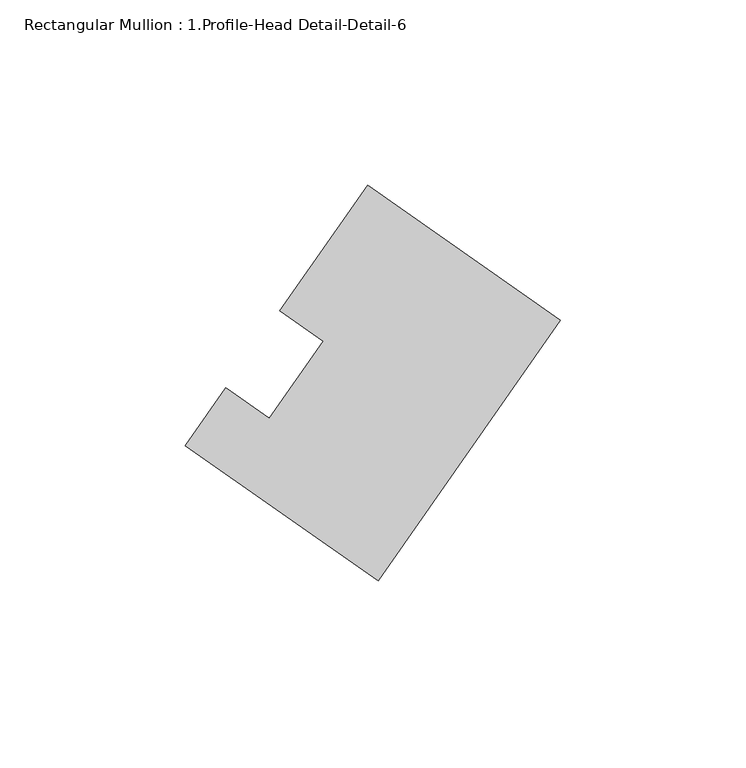
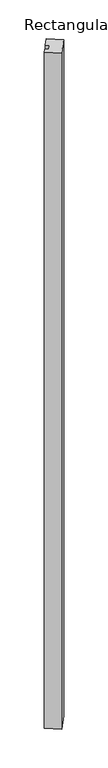
"""IFC4 building model written with IfcOpenShell, lengths in millimetres: member geometry, Rectangular Mullion : 1.Profile-Head Detail-Detail-6."""

from ifc_helpers import new_model, si_unit, frame, origin, place, context, project, spatial, polyline, outline, extrude, source, transform, mapped, element, save


def rectangular_mullion_1_profile_head_detail_detail_6_9c613143(model_context):
    return source(origin(), model_context, "Body", "SweptSolid", [
        extrude(outline(polyline([(-49.1772313, -0.0104062), (-101.1858696, 36.4221037), (-90.2560844, 52.0247412), (-78.5661321, 43.8394109), (-63.9972906, 64.6458728), (-75.6905345, 72.8335442), (-52.0161548, 106.6440624), (0.0, 70.2219587), (-49.1772313, -0.0104062)])), frame((0.0, 0.0, -3048.0), z_axis=(0.0, 0.0, 1.0), x_axis=(1.0, 0.0, 0.0)), (0.0, 0.0, 1.0), 3048.0),
    ])


if __name__ == "__main__":
    model = new_model("IFC4")
    model_context = context("Model", 3, world=origin())
    ifc_project = project(units=[si_unit("LENGTHUNIT", "METRE", prefix="MILLI")], contexts=[model_context])
    site = spatial("IfcSite", under=ifc_project)
    building = spatial("IfcBuilding", under=site)
    placement = place(None, origin())
    rectangular_mullion_1_profile_head_detail_detail_6_shape = rectangular_mullion_1_profile_head_detail_detail_6_9c613143(model_context)
    element("IfcMember", 1, ObjectType="Rectangular Mullion : 1.Profile-Head Detail-Detail-6", at=placement, inside=building, context=model_context, shape_type="MappedRepresentation", body=[
        mapped(rectangular_mullion_1_profile_head_detail_detail_6_shape, transform((0.0, 0.0, 0.0), x_axis=(1.0, 0.0, 0.0), y_axis=(0.0, 1.0, 0.0), z_axis=(0.0, 0.0, 1.0))),
    ])
    save(model, "model.ifc")
